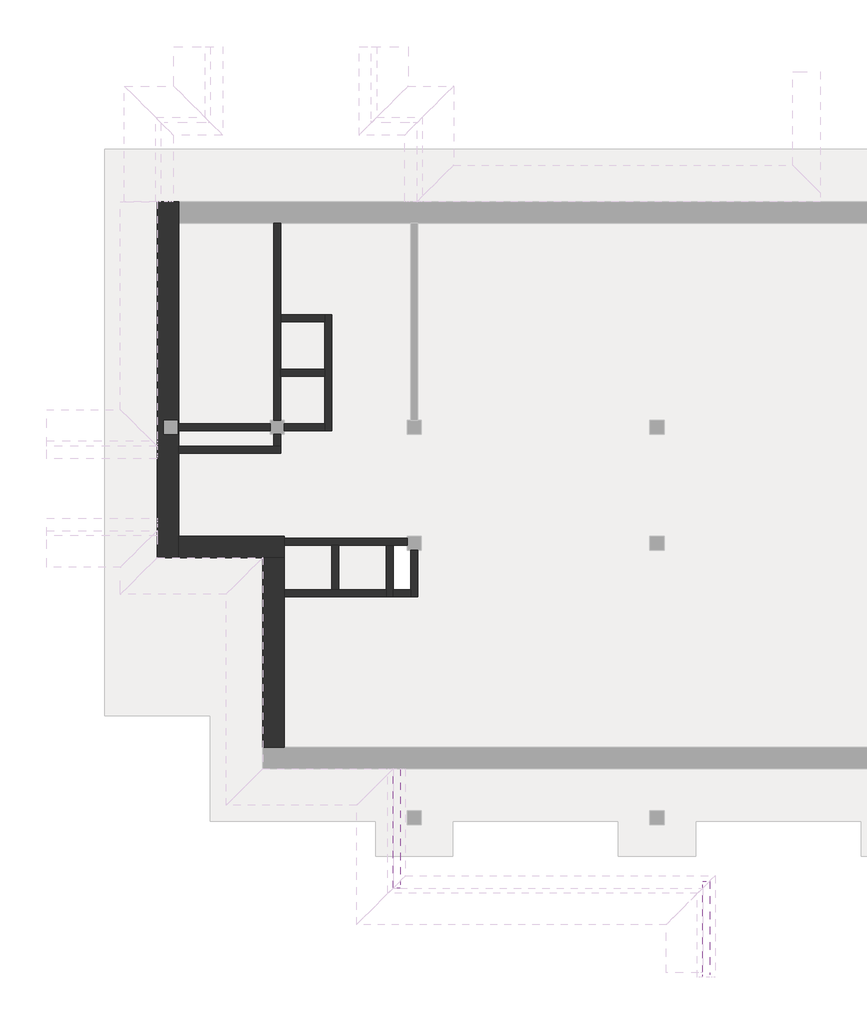
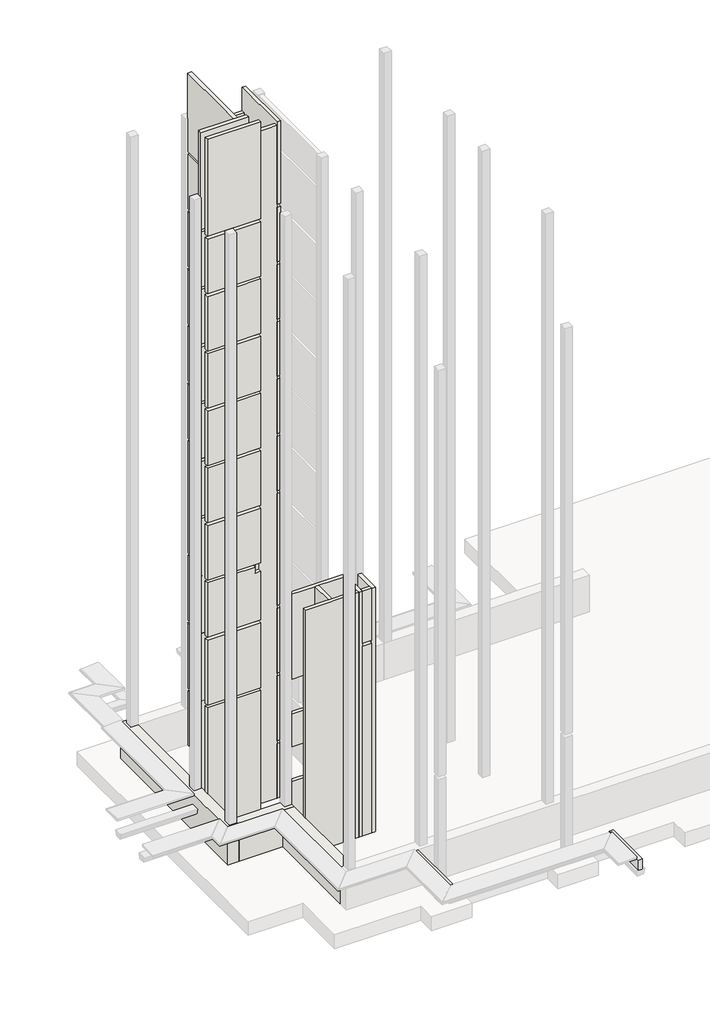
# One storey, part 1 of 9: 19 walls.
"""IFC4 building model written with IfcOpenShell, lengths in millimetres."""

import ifcopenshell
import ifcopenshell.guid

model = None  # the IFC model being written
_history = None  # IfcOwnerHistory: only IFC2X3 demands one
_inside = {}  # id of a spatial element -> (the spatial element, [elements in it])
_under = {}  # id of a project, library or spatial element -> (it, [spatial elements below it])
_declared = {}  # id of a project -> (the project, [libraries it declares])
_typed = {}  # id of a type object -> (the type object, [elements of that type])
_made_of = {}  # id of a material, layer set ... -> (it, [elements and type objects made of it])


def new_model(schema):
    """Start an empty IFC model of exactly this schema.

    Asked for "IFC4X3", IfcOpenShell would pick the latest addendum, in which some entities
    have other attributes; the version numbers below select the first issue.
    IFC2X3 requires an IfcOwnerHistory on every rooted entity: one is made here for all.
    """
    global model, _history
    if schema == "IFC4X3":
        model = ifcopenshell.file(schema_version=(4, 3, 0, 0))
    else:
        model = ifcopenshell.file(schema=schema)
    _inside.clear()
    _under.clear()
    _declared.clear()
    _typed.clear()
    _made_of.clear()
    _history = None
    if model.schema == "IFC2X3":
        org = make("IfcOrganization", Name="unknown")
        user = make(
            "IfcPersonAndOrganization",
            ThePerson=make("IfcPerson", FamilyName="unknown"),
            TheOrganization=org,
        )
        app = make(
            "IfcApplication",
            ApplicationDeveloper=org,
            Version="unknown",
            ApplicationFullName="unknown",
            ApplicationIdentifier="unknown",
        )
        _history = make(
            "IfcOwnerHistory",
            OwningUser=user,
            OwningApplication=app,
            ChangeAction="ADDED",
            CreationDate=0,
        )
    return model


def make(cls, **values):
    """One entity of the class cls with the attributes given. An attribute that is None is left unset."""
    return model.create_entity(
        cls, **{name: value for name, value in values.items() if value is not None}
    )


def rooted(cls, **values):
    """An entity with a GlobalId (a new one), such as an element, a storey or a relation."""
    return make(cls, GlobalId=ifcopenshell.guid.new(), OwnerHistory=_history, **values)


def si_unit(unit_type, name, prefix=None):
    """IfcSIUnit, for example si_unit("LENGTHUNIT", "METRE", prefix="MILLI")."""
    return make("IfcSIUnit", UnitType=unit_type, Prefix=prefix, Name=name)


def assignment(units):
    """IfcUnitAssignment: the units of a project."""
    return None if units is None else make("IfcUnitAssignment", Units=units)


def point(xyz):
    """IfcCartesianPoint."""
    return None if xyz is None else make("IfcCartesianPoint", Coordinates=xyz)


def direction(xyz):
    """IfcDirection."""
    return None if xyz is None else make("IfcDirection", DirectionRatios=xyz)


def frame(location, z_axis=None, x_axis=None):
    """IfcAxis2Placement3D, a coordinate frame: its origin and axes. An axis left out is left unset."""
    return make(
        "IfcAxis2Placement3D",
        Location=point(location),
        Axis=direction(z_axis),
        RefDirection=direction(x_axis),
    )


def origin():
    """The frame at (0, 0, 0) with its axes left unset."""
    return frame((0.0, 0.0, 0.0))


def place(relative_to, where):
    """IfcLocalPlacement: puts the frame where relative to a parent placement (None: the world)."""
    return make(
        "IfcLocalPlacement", PlacementRelTo=relative_to, RelativePlacement=where
    )


def context(
    kind, dimensions, precision=None, world=None, true_north=None, identifier=None
):
    """IfcGeometricRepresentationContext, for example the 3D "Model" context."""
    return make(
        "IfcGeometricRepresentationContext",
        ContextIdentifier=identifier,
        ContextType=kind,
        CoordinateSpaceDimension=dimensions,
        Precision=precision,
        WorldCoordinateSystem=world,
        TrueNorth=true_north,
    )


def project(units=None, contexts=None):
    """IfcProject with its units and contexts."""
    return rooted(
        "IfcProject",
        Name="project",
        RepresentationContexts=contexts,
        UnitsInContext=assignment(units),
    )


def spatial(cls, under=None, at=None, **own):
    """A site, building, storey or space (cls), placed at a placement, below another one or the project."""
    s = rooted(cls, ObjectPlacement=at, **own)
    if under is not None:
        _under.setdefault(under.id(), (under, []))[1].append(s)
    return s


def polyline(points):
    """IfcPolyline through the points."""
    return make("IfcPolyline", Points=[point(p) for p in points])


def outline(outer, holes=None, kind="AREA"):
    """IfcArbitraryClosedProfileDef: a profile drawn as a closed curve; with holes, ...WithVoids."""
    if holes is None:
        return make("IfcArbitraryClosedProfileDef", ProfileType=kind, OuterCurve=outer)
    return make(
        "IfcArbitraryProfileDefWithVoids",
        ProfileType=kind,
        OuterCurve=outer,
        InnerCurves=holes,
    )


def extrude(swept, where, along, depth):
    """IfcExtrudedAreaSolid: the profile swept, set in the frame where, extruded along a direction by depth."""
    return make(
        "IfcExtrudedAreaSolid",
        SweptArea=swept,
        Position=where,
        ExtrudedDirection=direction(along),
        Depth=depth,
    )


def faces_of(points, faces, orient=None, outer=None):
    """IfcFace entities. A face is a list of loops; a loop is a list of indices into points, from 0.

    orient and outer hold one flag for each loop. By default every Orientation is true, the
    first loop of a face is its IfcFaceOuterBound and the others are IfcFaceBound.
    """
    made = []
    for i, loops in enumerate(faces):
        bounds = []
        for j, loop in enumerate(loops):
            is_outer = j == 0 if outer is None else outer[i][j]
            bounds.append(
                make(
                    "IfcFaceOuterBound" if is_outer else "IfcFaceBound",
                    Bound=make("IfcPolyLoop", Polygon=[points[k] for k in loop]),
                    Orientation=True if orient is None else orient[i][j],
                )
            )
        made.append(make("IfcFace", Bounds=bounds))
    return made


def faceted_brep(points, faces, orient=None, outer=None, voids=None):
    """IfcFacetedBrep: a solid bounded by flat faces; with voids (closed shells), ...WithVoids."""
    shared = [point(p) for p in points]
    hull = make("IfcClosedShell", CfsFaces=faces_of(shared, faces, orient, outer))
    if voids is None:
        return make("IfcFacetedBrep", Outer=hull)
    return make(
        "IfcFacetedBrepWithVoids",
        Outer=hull,
        Voids=[
            make(cls, CfsFaces=faces_of(shared, fs, o, b)) for cls, fs, o, b in voids
        ],
    )


def shape(context_of_items, identifier, shape_type, items):
    """IfcShapeRepresentation: the items that make up one representation, for example the "Body"."""
    return make(
        "IfcShapeRepresentation",
        ContextOfItems=context_of_items,
        RepresentationIdentifier=identifier,
        RepresentationType=shape_type,
        Items=items,
    )


def made_of(thing, what):
    """Note that an element or type object is made of a material, layer set ...; save() writes the relation."""
    if what is not None:
        _made_of.setdefault(what.id(), (what, []))[1].append(thing)
    return thing


def element(
    cls,
    number,
    at=None,
    inside=None,
    cuts=None,
    type_object=None,
    material=None,
    context=None,
    identifier="Body",
    shape_type=None,
    held_by="IfcProductDefinitionShape",
    body=None,
    shapes=None,
    **own,
):
    """One element of the class cls, such as IfcWall. Its Tag is "e" and its number.

    at: its placement. inside: the storey or other place that contains it. cuts: it is an
    opening in that element (IfcRelVoidsElement). A single representation is given by context,
    identifier, shape_type and body (its items); several are given by shapes. held_by: the class
    of the entity that holds the representations. save() writes the other relations.
    """
    e = rooted(cls, Tag="e%d" % number, ObjectPlacement=at, **own)
    if body is not None:
        shapes = [shape(context, identifier, shape_type, body)]
    if shapes is not None:
        e.Representation = make(held_by, Representations=shapes)
    if inside is not None:
        _inside.setdefault(inside.id(), (inside, []))[1].append(e)
    if cuts is not None:
        rooted(
            "IfcRelVoidsElement", RelatingBuildingElement=cuts, RelatedOpeningElement=e
        )
    if type_object is not None:
        _typed.setdefault(type_object.id(), (type_object, []))[1].append(e)
    return made_of(e, material)


def aggregate(whole, parts):
    """IfcRelAggregates: a whole, such as a stair, and the parts it consists of."""
    return rooted("IfcRelAggregates", RelatingObject=whole, RelatedObjects=parts)


def save(model, path):
    """Write the relations noted so far, then the file.

    IfcRelAggregates (storeys below a building ...), IfcRelContainedInSpatialStructure (elements
    in a storey), IfcRelDefinesByType, IfcRelAssociatesMaterial and IfcRelDeclares: one each for
    every whole, place, type object, material and project.
    """
    for whole, parts in _under.values():
        aggregate(whole, parts)
    for where, things in _inside.values():
        rooted(
            "IfcRelContainedInSpatialStructure",
            RelatedElements=things,
            RelatingStructure=where,
        )
    for kind, things in _typed.values():
        rooted("IfcRelDefinesByType", RelatedObjects=things, RelatingType=kind)
    for what, things in _made_of.values():
        rooted("IfcRelAssociatesMaterial", RelatedObjects=things, RelatingMaterial=what)
    for by, libraries in _declared.values():
        rooted("IfcRelDeclares", RelatingContext=by, RelatedDefinitions=libraries)
    model.write(path)


model = new_model("IFC4")

# Units and contexts
model_context = context("Model", 3, world=origin())
ifc_project = project(units=[si_unit("LENGTHUNIT", "METRE", prefix="MILLI")], contexts=[model_context])

# Site, building, storey
site = spatial("IfcSite", under=ifc_project)
building = spatial("IfcBuilding", under=site)
storey = spatial("IfcBuildingStorey", under=building, Elevation=-3300.0)

# Walls
placement = place(None, origin())
element("IfcWall", 1, at=placement, inside=storey, context=model_context, shape_type="SweptSolid", body=[
    extrude(outline(polyline([(-44989.9887159, -5506.8920513), (-47589.9887159, -5506.8920513), (-47589.9887159, -5306.8920513), (-44989.9887159, -5306.8920513), (-44989.9887159, -5506.8920513)])), frame((0.0, 0.0, -3300.0), z_axis=(0.0, 0.0, 1.0), x_axis=(1.0, 0.0, 0.0)), (0.0, 0.0, 1.0), 17540.0),
])
element("IfcWall", 2, at=placement, inside=storey, context=model_context, shape_type="Brep", body=[
    faceted_brep([(-47589.9887159, -9116.8920513, -3300.0), (-47589.9887159, -8506.8920513, -3300.0), (-47589.9887159, -6146.8920513, -3300.0), (-47589.9887159, -5946.8920513, -3300.0), (-47589.9887159, -5506.8920513, -3300.0), (-47589.9887159, -5306.8920513, -3300.0), (-47589.9887159, 393.1079487, -3300.0), (-47589.9887159, 1003.1079487, -3300.0), (-47589.9887159, 1003.1079487, -1200.0), (-47589.9887159, 393.1079487, -1200.0), (-47589.9887159, -5836.8920513, -1200.0), (-47589.9887159, -6146.8920513, -1200.0), (-47589.9887159, -8146.8920513, -1200.0), (-47589.9887159, -8506.8920513, -1200.0), (-47589.9887159, -9116.8920513, -1200.0), (-48199.9887159, 1003.1079487, -3300.0), (-48199.9887159, -9116.8920513, -3300.0), (-48199.9887159, -9116.8920513, -1200.0), (-48199.9887159, -8506.8920513, -1200.0), (-48199.9887159, -8346.8920513, -1200.0), (-48199.9887159, -8146.8920513, -1200.0), (-48199.9887159, -6146.8920513, -1200.0), (-48199.9887159, -5946.8920513, -1200.0), (-48199.9887159, -5836.8920513, -1200.0), (-48199.9887159, 1003.1079487, -1200.0), (-48009.9887159, -5206.8920513, -3300.0), (-48009.9887159, -5606.8920513, -3300.0), (-47609.9887159, -5606.8920513, -3300.0), (-47609.9887159, -5206.8920513, -3300.0), (-47889.9887159, 1003.1079487, -1200.0), (-48089.9887159, 1003.1079487, -1200.0), (-48009.9887159, -5606.8920513, -1200.0), (-48009.9887159, -5206.8920513, -1200.0), (-47609.9887159, -5206.8920513, -1200.0), (-47609.9887159, -5606.8920513, -1200.0)], [[[0, 1, 2, 3, 4, 5, 6, 7, 8, 9, 10, 11, 12, 13, 14]], [[15, 16, 17, 18, 19, 20, 21, 22, 23, 24]], [[7, 6, 5, 4, 3, 2, 1, 0, 16, 15], [25, 26, 27, 28]], [[14, 13, 12, 11, 10, 9, 8, 29, 30, 24, 23, 22, 21, 20, 19, 18, 17], [31, 32, 33, 34]], [[7, 15, 24, 30, 29, 8]], [[16, 0, 14, 17]], [[25, 32, 31, 26]], [[32, 25, 28, 33]], [[33, 28, 27, 34]], [[34, 27, 26, 31]]]),
])
element("IfcWall", 3, at=placement, inside=storey, context=model_context, shape_type="Brep", body=[
    faceted_brep([(-47589.9887159, -9116.8920513, -3300.0), (-45199.9887159, -9116.8920513, -3300.0), (-44589.9887159, -9116.8920513, -3300.0), (-44589.9887159, -9116.8920513, -1200.0), (-45199.9887159, -9116.8920513, -1200.0), (-47589.9887159, -9116.8920513, -1200.0), (-47589.9887159, -8506.8920513, -3300.0), (-47589.9887159, -8506.8920513, -1200.0), (-44589.9887159, -8506.8920513, -1200.0), (-44589.9887159, -8506.8920513, -3300.0), (-44589.9887159, -8566.8920513, -3300.0), (-44589.9887159, -8766.8920513, -3300.0)], [[[0, 1, 2, 3, 4, 5]], [[6, 7, 8, 9]], [[2, 1, 0, 6, 9, 10, 11]], [[5, 4, 3, 8, 7]], [[0, 5, 7, 6]], [[3, 2, 11, 10, 9, 8]]]),
])
element("IfcWall", 4, at=placement, inside=storey, context=model_context, shape_type="Brep", body=[
    faceted_brep([(-45199.9887159, -9116.8920513, -3300.0), (-45199.9887159, -14506.8920513, -3300.0), (-45199.9887159, -14506.8920513, -1200.0), (-45199.9887159, -9116.8920513, -1200.0), (-44589.9887159, -9116.8920513, -3300.0), (-44589.9887159, -9116.8920513, -1200.0), (-44589.9887159, -14506.8920513, -1200.0), (-44589.9887159, -14506.8920513, -3300.0), (-44589.9887159, -10226.8920514, -3300.0), (-44589.9887159, -10026.8920514, -3300.0)], [[[0, 1, 2, 3]], [[4, 5, 6, 7, 8, 9]], [[1, 0, 4, 9, 8, 7]], [[3, 2, 6, 5]], [[2, 1, 7, 6]], [[0, 3, 5, 4]]]),
])
element("IfcWall", 5, at=placement, inside=storey, context=model_context, shape_type="SweptSolid", body=[
    extrude(outline(polyline([(-44989.9887159, -5506.8920513), (-47589.9887159, -5506.8920513), (-47589.9887159, -5306.8920513), (-44989.9887159, -5306.8920513), (-44989.9887159, -5506.8920513)])), frame((0.0, 0.0, -3300.0), z_axis=(0.0, 0.0, 1.0), x_axis=(1.0, 0.0, 0.0)), (0.0, 0.0, 1.0), 7040.0),
    extrude(outline(polyline([(-44989.9887159, -5506.8920513), (-47589.9887159, -5506.8920513), (-47589.9887159, -5306.8920513), (-44989.9887159, -5306.8920513), (-44989.9887159, -5506.8920513)])), frame((0.0, 0.0, 30900.0), z_axis=(0.0, 0.0, 1.0), x_axis=(1.0, 0.0, 0.0)), (0.0, 0.0, 1.0), 5600.0),
    extrude(outline(polyline([(-44989.9887159, -5506.8920513), (-47589.9887159, -5506.8920513), (-47589.9887159, -5306.8920513), (-44989.9887159, -5306.8920513), (-44989.9887159, -5506.8920513)])), frame((0.0, 0.0, 24300.0), z_axis=(0.0, 0.0, 1.0), x_axis=(1.0, 0.0, 0.0)), (0.0, 0.0, 1.0), 3140.0),
    extrude(outline(polyline([(-44989.9887159, -5506.8920513), (-47589.9887159, -5506.8920513), (-47589.9887159, -5306.8920513), (-44989.9887159, -5306.8920513), (-44989.9887159, -5506.8920513)])), frame((0.0, 0.0, 27600.0), z_axis=(0.0, 0.0, 1.0), x_axis=(1.0, 0.0, 0.0)), (0.0, 0.0, 1.0), 3140.0),
    extrude(outline(polyline([(-44989.9887159, -5506.8920513), (-47589.9887159, -5506.8920513), (-47589.9887159, -5306.8920513), (-44989.9887159, -5306.8920513), (-44989.9887159, -5506.8920513)])), frame((0.0, 0.0, 3900.0), z_axis=(0.0, 0.0, 1.0), x_axis=(1.0, 0.0, 0.0)), (0.0, 0.0, 1.0), 3740.0),
    extrude(outline(polyline([(-44989.9887159, -5506.8920513), (-47589.9887159, -5506.8920513), (-47589.9887159, -5306.8920513), (-44989.9887159, -5306.8920513), (-44989.9887159, -5506.8920513)])), frame((0.0, 0.0, 17700.0), z_axis=(0.0, 0.0, 1.0), x_axis=(1.0, 0.0, 0.0)), (0.0, 0.0, 1.0), 3140.0),
    extrude(outline(polyline([(-44989.9887159, -5506.8920513), (-47589.9887159, -5506.8920513), (-47589.9887159, -5306.8920513), (-44989.9887159, -5306.8920513), (-44989.9887159, -5506.8920513)])), frame((0.0, 0.0, 11100.0), z_axis=(0.0, 0.0, 1.0), x_axis=(1.0, 0.0, 0.0)), (0.0, 0.0, 1.0), 3140.0),
    extrude(outline(polyline([(-44989.9887159, -5506.8920513), (-47589.9887159, -5506.8920513), (-47589.9887159, -5306.8920513), (-44989.9887159, -5306.8920513), (-44989.9887159, -5506.8920513)])), frame((0.0, 0.0, 7800.0), z_axis=(0.0, 0.0, 1.0), x_axis=(1.0, 0.0, 0.0)), (0.0, 0.0, 1.0), 3140.0),
    extrude(outline(polyline([(-44989.9887159, -5506.8920513), (-47589.9887159, -5506.8920513), (-47589.9887159, -5306.8920513), (-44989.9887159, -5306.8920513), (-44989.9887159, -5506.8920513)])), frame((0.0, 0.0, 14400.0), z_axis=(0.0, 0.0, 1.0), x_axis=(1.0, 0.0, 0.0)), (0.0, 0.0, 1.0), 3140.0),
    extrude(outline(polyline([(-44989.9887159, -5506.8920513), (-47589.9887159, -5506.8920513), (-47589.9887159, -5306.8920513), (-44989.9887159, -5306.8920513), (-44989.9887159, -5506.8920513)])), frame((0.0, 0.0, 21000.0), z_axis=(0.0, 0.0, 1.0), x_axis=(1.0, 0.0, 0.0)), (0.0, 0.0, 1.0), 3140.0),
])
element("IfcWall", 6, at=placement, inside=storey, context=model_context, shape_type="Brep", body=[
    faceted_brep([(-44689.9887159, 393.1079487, 35400.0), (-44689.9887159, -5946.8920513, 35400.0), (-44689.9887159, -5946.8920513, 30900.0), (-44689.9887159, -5606.8920513, 30900.0), (-44689.9887159, -5606.8920513, 32800.0), (-44689.9887159, -5206.8920513, 32800.0), (-44689.9887159, -5206.8920513, 30900.0), (-44689.9887159, 393.1079487, 30900.0), (-44889.9887159, -5946.8920513, 35400.0), (-44889.9887159, 393.1079487, 35400.0), (-44889.9887159, 393.1079487, 30900.0), (-44889.9887159, -5206.8920513, 30900.0), (-44889.9887159, -5206.8920513, 32800.0), (-44889.9887159, -5606.8920513, 32800.0), (-44889.9887159, -5606.8920513, 30900.0), (-44889.9887159, -5946.8920513, 30900.0)], [[[0, 1, 2, 3, 4, 5, 6, 7]], [[8, 9, 10, 11, 12, 13, 14, 15]], [[1, 0, 9, 8]], [[6, 5, 12, 11]], [[4, 3, 14, 13]], [[1, 8, 15, 2]], [[3, 2, 15, 14]], [[7, 6, 11, 10]], [[12, 5, 4, 13]], [[9, 0, 7, 10]]]),
    faceted_brep([(-44689.9887159, 188.1079487, 2100.0), (-44689.9887159, 188.1079487, 0.0), (-44689.9887159, 393.1079487, 0.0), (-44689.9887159, 393.1079487, 3740.0), (-44689.9887159, -5206.8920513, 3740.0), (-44689.9887159, -5206.8920513, 0.0), (-44689.9887159, -1111.8920513, 0.0), (-44689.9887159, -1111.8920513, 2100.0), (-44889.9887159, 188.1079487, 0.0), (-44889.9887159, 188.1079487, 2100.0), (-44889.9887159, -1111.8920513, 2100.0), (-44889.9887159, -1111.8920513, 0.0), (-44889.9887159, -5206.8920513, 0.0), (-44889.9887159, -5206.8920513, 3740.0), (-44889.9887159, 393.1079487, 3740.0), (-44889.9887159, 393.1079487, 0.0)], [[[0, 1, 2, 3, 4, 5, 6, 7]], [[8, 9, 10, 11, 12, 13, 14, 15]], [[12, 5, 4, 13]], [[0, 9, 8, 1]], [[9, 0, 7, 10]], [[10, 7, 6, 11]], [[2, 1, 8, 15]], [[6, 5, 12, 11]], [[4, 3, 14, 13]], [[15, 14, 3, 2]]]),
    faceted_brep([(-44689.9887159, -5206.8920513, 27600.0), (-44689.9887159, 393.1079487, 27600.0), (-44689.9887159, 393.1079487, 30740.0), (-44689.9887159, -5206.8920513, 30740.0), (-44889.9887159, 393.1079487, 30740.0), (-44889.9887159, 393.1079487, 27600.0), (-44889.9887159, -5206.8920513, 27600.0), (-44889.9887159, -5206.8920513, 30740.0)], [[[0, 1, 2, 3]], [[4, 5, 6, 7]], [[0, 6, 5, 1]], [[6, 0, 3, 7]], [[3, 2, 4, 7]], [[5, 4, 2, 1]]]),
    faceted_brep([(-44689.9887159, -5946.8920513, 27600.0), (-44689.9887159, -5606.8920513, 27600.0), (-44689.9887159, -5606.8920513, 30740.0), (-44689.9887159, -5946.8920513, 30740.0), (-44889.9887159, -5606.8920513, 27600.0), (-44889.9887159, -5946.8920513, 27600.0), (-44889.9887159, -5946.8920513, 30740.0), (-44889.9887159, -5606.8920513, 30740.0)], [[[0, 1, 2, 3]], [[4, 5, 6, 7]], [[5, 4, 1, 0]], [[1, 4, 7, 2]], [[5, 0, 3, 6]], [[3, 2, 7, 6]]]),
    faceted_brep([(-44689.9887159, 393.1079487, 27440.0), (-44689.9887159, -5206.8920513, 27440.0), (-44689.9887159, -5206.8920513, 24300.0), (-44689.9887159, 393.1079487, 24300.0), (-44889.9887159, 393.1079487, 27440.0), (-44889.9887159, 393.1079487, 24300.0), (-44889.9887159, -5206.8920513, 24300.0), (-44889.9887159, -5206.8920513, 27440.0)], [[[0, 1, 2, 3]], [[4, 5, 6, 7]], [[7, 1, 0, 4]], [[1, 7, 6, 2]], [[3, 2, 6, 5]], [[5, 4, 0, 3]]]),
    faceted_brep([(-44689.9887159, -5606.8920513, 27440.0), (-44689.9887159, -5946.8920513, 27440.0), (-44689.9887159, -5946.8920513, 24300.0), (-44689.9887159, -5606.8920513, 24300.0), (-44889.9887159, -5946.8920513, 27440.0), (-44889.9887159, -5606.8920513, 27440.0), (-44889.9887159, -5606.8920513, 24300.0), (-44889.9887159, -5946.8920513, 24300.0)], [[[0, 1, 2, 3]], [[4, 5, 6, 7]], [[5, 4, 1, 0]], [[5, 0, 3, 6]], [[1, 4, 7, 2]], [[3, 2, 7, 6]]]),
    faceted_brep([(-44689.9887159, -5946.8920513, -3300.0), (-44689.9887159, -5606.8920513, -3300.0), (-44689.9887159, -5606.8920513, -160.0), (-44689.9887159, -5946.8920513, -160.0), (-44889.9887159, -5606.8920513, -3300.0), (-44889.9887159, -5946.8920513, -3300.0), (-44889.9887159, -5946.8920513, -160.0), (-44889.9887159, -5606.8920513, -160.0)], [[[0, 1, 2, 3]], [[4, 5, 6, 7]], [[4, 1, 0, 5]], [[1, 4, 7, 2]], [[5, 0, 3, 6]], [[3, 2, 7, 6]]]),
    faceted_brep([(-44689.9887159, -5206.8920513, -3300.0), (-44689.9887159, -3956.8920514, -3300.0), (-44689.9887159, -3756.8920514, -3300.0), (-44689.9887159, -2406.8920514, -3300.0), (-44689.9887159, -2206.8920514, -3300.0), (-44689.9887159, 393.1079487, -3300.0), (-44689.9887159, 393.1079487, -160.0), (-44689.9887159, -5206.8920513, -160.0), (-44889.9887159, 393.1079487, -3300.0), (-44889.9887159, -5206.8920513, -3300.0), (-44889.9887159, -5206.8920513, -160.0), (-44889.9887159, 393.1079487, -160.0)], [[[0, 1, 2, 3, 4, 5, 6, 7]], [[8, 9, 10, 11]], [[8, 5, 4, 3, 2, 1, 0, 9]], [[9, 0, 7, 10]], [[7, 6, 11, 10]], [[5, 8, 11, 6]]]),
    faceted_brep([(-44689.9887159, -5946.8920513, 0.0), (-44689.9887159, -5606.8920513, 0.0), (-44689.9887159, -5606.8920513, 3740.0), (-44689.9887159, -5946.8920513, 3740.0), (-44889.9887159, -5606.8920513, 0.0), (-44889.9887159, -5946.8920513, 0.0), (-44889.9887159, -5946.8920513, 3740.0), (-44889.9887159, -5606.8920513, 3740.0)], [[[0, 1, 2, 3]], [[4, 5, 6, 7]], [[2, 1, 4, 7]], [[5, 0, 3, 6]], [[1, 0, 5, 4]], [[3, 2, 7, 6]]]),
    faceted_brep([(-44689.9887159, 393.1079487, 24140.0), (-44689.9887159, -5206.8920513, 24140.0), (-44689.9887159, -5206.8920513, 21000.0), (-44689.9887159, -2406.8920514, 21000.0), (-44689.9887159, -2206.8920514, 21000.0), (-44689.9887159, 393.1079487, 21000.0), (-44889.9887159, -5206.8920513, 21000.0), (-44889.9887159, -5206.8920513, 24140.0), (-44889.9887159, 393.1079487, 24140.0), (-44889.9887159, 393.1079487, 21000.0)], [[[0, 1, 2, 3, 4, 5]], [[6, 7, 8, 9]], [[1, 7, 6, 2]], [[1, 0, 8, 7]], [[5, 4, 3, 2, 6, 9]], [[9, 8, 0, 5]]]),
    faceted_brep([(-44689.9887159, -5606.8920513, 24140.0), (-44689.9887159, -5946.8920513, 24140.0), (-44689.9887159, -5946.8920513, 21000.0), (-44689.9887159, -5606.8920513, 21000.0), (-44889.9887159, -5946.8920513, 24140.0), (-44889.9887159, -5606.8920513, 24140.0), (-44889.9887159, -5606.8920513, 21000.0), (-44889.9887159, -5946.8920513, 21000.0)], [[[0, 1, 2, 3]], [[4, 5, 6, 7]], [[0, 3, 6, 5]], [[1, 4, 7, 2]], [[1, 0, 5, 4]], [[3, 2, 7, 6]]]),
    faceted_brep([(-44689.9887159, -5606.8920513, 20840.0), (-44689.9887159, -5946.8920513, 20840.0), (-44689.9887159, -5946.8920513, 17700.0), (-44689.9887159, -5606.8920513, 17700.0), (-44889.9887159, -5946.8920513, 17700.0), (-44889.9887159, -5946.8920513, 20840.0), (-44889.9887159, -5606.8920513, 20840.0), (-44889.9887159, -5606.8920513, 17700.0)], [[[0, 1, 2, 3]], [[4, 5, 6, 7]], [[0, 3, 7, 6]], [[1, 5, 4, 2]], [[1, 0, 6, 5]], [[3, 2, 4, 7]]]),
    faceted_brep([(-44689.9887159, -5606.8920513, 17540.0), (-44689.9887159, -5946.8920513, 17540.0), (-44689.9887159, -5946.8920513, 14400.0), (-44689.9887159, -5606.8920513, 14400.0), (-44889.9887159, -5946.8920513, 14400.0), (-44889.9887159, -5946.8920513, 17540.0), (-44889.9887159, -5606.8920513, 17540.0), (-44889.9887159, -5606.8920513, 14400.0)], [[[0, 1, 2, 3]], [[4, 5, 6, 7]], [[0, 3, 7, 6]], [[1, 5, 4, 2]], [[1, 0, 6, 5]], [[3, 2, 4, 7]]]),
    faceted_brep([(-44689.9887159, 393.1079487, 14240.0), (-44689.9887159, -5206.8920513, 14240.0), (-44689.9887159, -5206.8920513, 7800.0), (-44689.9887159, 393.1079487, 7800.0), (-44889.9887159, -5206.8920513, 14240.0), (-44889.9887159, 393.1079487, 14240.0), (-44889.9887159, 393.1079487, 7800.0), (-44889.9887159, -5206.8920513, 7800.0)], [[[0, 1, 2, 3]], [[4, 5, 6, 7]], [[1, 4, 7, 2]], [[1, 0, 5, 4]], [[6, 5, 0, 3]], [[3, 2, 7, 6]]]),
    faceted_brep([(-44689.9887159, -5606.8920513, 14240.0), (-44689.9887159, -5946.8920513, 14240.0), (-44689.9887159, -5946.8920513, 11100.0), (-44689.9887159, -5946.8920513, 10600.0), (-44689.9887159, -5946.8920513, 7800.0), (-44689.9887159, -5606.8920513, 7800.0), (-44889.9887159, -5946.8920513, 7800.0), (-44889.9887159, -5946.8920513, 14240.0), (-44889.9887159, -5606.8920513, 14240.0), (-44889.9887159, -5606.8920513, 7800.0)], [[[0, 1, 2, 3, 4, 5]], [[6, 7, 8, 9]], [[0, 5, 9, 8]], [[1, 7, 6, 4, 3, 2]], [[1, 0, 8, 7]], [[5, 4, 6, 9]]]),
    faceted_brep([(-44689.9887159, -5206.8920513, 3900.0), (-44689.9887159, 393.1079487, 3900.0), (-44689.9887159, 393.1079487, 7640.0), (-44689.9887159, -5206.8920513, 7640.0), (-44889.9887159, 393.1079487, 3900.0), (-44889.9887159, -5206.8920513, 3900.0), (-44889.9887159, -5206.8920513, 7640.0), (-44889.9887159, 393.1079487, 7640.0)], [[[0, 1, 2, 3]], [[4, 5, 6, 7]], [[5, 0, 3, 6]], [[1, 0, 5, 4]], [[1, 4, 7, 2]], [[3, 2, 7, 6]]]),
    faceted_brep([(-44689.9887159, -5946.8920513, 3900.0), (-44689.9887159, -5606.8920513, 3900.0), (-44689.9887159, -5606.8920513, 7640.0), (-44689.9887159, -5946.8920513, 7640.0), (-44889.9887159, -5606.8920513, 3900.0), (-44889.9887159, -5946.8920513, 3900.0), (-44889.9887159, -5946.8920513, 7640.0), (-44889.9887159, -5606.8920513, 7640.0)], [[[0, 1, 2, 3]], [[4, 5, 6, 7]], [[1, 4, 7, 2]], [[5, 0, 3, 6]], [[1, 0, 5, 4]], [[3, 2, 7, 6]]]),
    faceted_brep([(-44689.9887159, 393.1079487, 20840.0), (-44689.9887159, -2206.8920514, 20840.0), (-44689.9887159, -2406.8920514, 20840.0), (-44689.9887159, -5206.8920513, 20840.0), (-44689.9887159, -5206.8920513, 17700.0), (-44689.9887159, -2406.8920514, 17700.0), (-44689.9887159, -2206.8920514, 17700.0), (-44689.9887159, 393.1079487, 17700.0), (-44889.9887159, -5206.8920513, 20840.0), (-44889.9887159, 393.1079487, 20840.0), (-44889.9887159, 393.1079487, 17700.0), (-44889.9887159, -5206.8920513, 17700.0)], [[[0, 1, 2, 3, 4, 5, 6, 7]], [[8, 9, 10, 11]], [[3, 8, 11, 4]], [[3, 2, 1, 0, 9, 8]], [[7, 6, 5, 4, 11, 10]], [[10, 9, 0, 7]]]),
    faceted_brep([(-44689.9887159, 393.1079487, 17540.0), (-44689.9887159, -2206.8920514, 17540.0), (-44689.9887159, -2406.8920514, 17540.0), (-44689.9887159, -5206.8920513, 17540.0), (-44689.9887159, -5206.8920513, 14400.0), (-44689.9887159, 393.1079487, 14400.0), (-44889.9887159, -5206.8920513, 17540.0), (-44889.9887159, 393.1079487, 17540.0), (-44889.9887159, 393.1079487, 14400.0), (-44889.9887159, -5206.8920513, 14400.0)], [[[0, 1, 2, 3, 4, 5]], [[6, 7, 8, 9]], [[3, 6, 9, 4]], [[3, 2, 1, 0, 7, 6]], [[5, 4, 9, 8]], [[8, 7, 0, 5]]]),
])
element("IfcWall", 7, at=placement, inside=storey, context=model_context, shape_type="Brep", body=[
    faceted_brep([(-41489.988716, -15116.8920513, -1800.0), (-41489.988716, -18506.8920513, -1800.0), (-41489.988716, -18506.8920513, -1200.0), (-41489.988716, -15116.8920513, -1200.0), (-41289.988716, -15116.8920513, -1800.0), (-41289.988716, -15116.8920513, -1200.0), (-41289.988716, -18306.8920513, -1200.0), (-41289.988716, -18506.8920513, -1200.0), (-41289.988716, -18506.8920513, -1800.0), (-41289.988716, -18306.8920513, -1800.0)], [[[0, 1, 2, 3]], [[4, 5, 6, 7, 8, 9]], [[1, 0, 4, 9, 8]], [[3, 2, 7, 6, 5]], [[0, 3, 5, 4]], [[2, 1, 8, 7]]]),
])
element("IfcWall", 8, at=placement, inside=storey, context=model_context, shape_type="Brep", body=[
    faceted_brep([(-47589.9887159, -5946.8920513, 36500.0), (-44689.9887159, -5946.8920513, 36500.0), (-44689.9887159, -5946.8920513, 35400.0), (-44689.9887159, -5946.8920513, 30900.0), (-44889.9887159, -5946.8920513, 30900.0), (-47589.9887159, -5946.8920513, 30900.0), (-44689.9887159, -6146.8920513, 36500.0), (-47589.9887159, -6146.8920513, 36500.0), (-47589.9887159, -6146.8920513, 30900.0), (-44689.9887159, -6146.8920513, 30900.0)], [[[0, 1, 2, 3, 4, 5]], [[6, 7, 8, 9]], [[1, 0, 7, 6]], [[4, 3, 9, 8, 5]], [[1, 6, 9, 3, 2]], [[7, 0, 5, 8]]]),
    faceted_brep([(-44689.9887159, -5946.8920513, 11100.0), (-44889.9887159, -5946.8920513, 11100.0), (-47589.9887159, -5946.8920513, 11100.0), (-47589.9887159, -5946.8920513, 14240.0), (-44889.9887159, -5946.8920513, 14240.0), (-44689.9887159, -5946.8920513, 14240.0), (-47589.9887159, -6146.8920513, 11100.0), (-44689.9887159, -6146.8920513, 11100.0), (-44689.9887159, -6146.8920513, 14240.0), (-47589.9887159, -6146.8920513, 14240.0)], [[[0, 1, 2, 3, 4, 5]], [[6, 7, 8, 9]], [[1, 0, 7, 6, 2]], [[5, 4, 3, 9, 8]], [[7, 0, 5, 8]], [[2, 6, 9, 3]]]),
    faceted_brep([(-44689.9887159, -5946.8920513, 27600.0), (-44889.9887159, -5946.8920513, 27600.0), (-47589.9887159, -5946.8920513, 27600.0), (-47589.9887159, -5946.8920513, 30740.0), (-44889.9887159, -5946.8920513, 30740.0), (-44689.9887159, -5946.8920513, 30740.0), (-47589.9887159, -6146.8920513, 27600.0), (-44689.9887159, -6146.8920513, 27600.0), (-44689.9887159, -6146.8920513, 30740.0), (-47589.9887159, -6146.8920513, 30740.0)], [[[0, 1, 2, 3, 4, 5]], [[6, 7, 8, 9]], [[1, 0, 7, 6, 2]], [[5, 4, 3, 9, 8]], [[7, 0, 5, 8]], [[2, 6, 9, 3]]]),
    faceted_brep([(-44889.9887159, -5946.8920513, 27440.0), (-44689.9887159, -5946.8920513, 27440.0), (-44689.9887159, -5946.8920513, 24300.0), (-44889.9887159, -5946.8920513, 24300.0), (-47589.9887159, -5946.8920513, 24300.0), (-47589.9887159, -5946.8920513, 27440.0), (-44689.9887159, -6146.8920513, 27440.0), (-47589.9887159, -6146.8920513, 27440.0), (-47589.9887159, -6146.8920513, 24300.0), (-44689.9887159, -6146.8920513, 24300.0)], [[[0, 1, 2, 3, 4, 5]], [[6, 7, 8, 9]], [[1, 0, 5, 7, 6]], [[4, 3, 2, 9, 8]], [[1, 6, 9, 2]], [[7, 5, 4, 8]]]),
    faceted_brep([(-47589.9887159, -5946.8920513, 3740.0), (-44889.9887159, -5946.8920513, 3740.0), (-44689.9887159, -5946.8920513, 3740.0), (-44689.9887159, -5946.8920513, 0.0), (-44689.9887159, -5946.8920513, -160.0), (-44689.9887159, -5946.8920513, -3300.0), (-44889.9887159, -5946.8920513, -3300.0), (-47589.9887159, -5946.8920513, -3300.0), (-44689.9887159, -6146.8920513, 3740.0), (-47589.9887159, -6146.8920513, 3740.0), (-47589.9887159, -6146.8920513, 0.0), (-47589.9887159, -6146.8920513, -1200.0), (-47589.9887159, -6146.8920513, -3300.0), (-44689.9887159, -6146.8920513, -3300.0)], [[[0, 1, 2, 3, 4, 5, 6, 7]], [[8, 9, 10, 11, 12, 13]], [[5, 13, 12, 7, 6]], [[1, 0, 9, 8, 2]], [[13, 5, 4, 3, 2, 8]], [[9, 0, 7, 12, 11, 10]]]),
    faceted_brep([(-44889.9887159, -5946.8920513, 3900.0), (-47589.9887159, -5946.8920513, 3900.0), (-47589.9887159, -5946.8920513, 7640.0), (-44889.9887159, -5946.8920513, 7640.0), (-44689.9887159, -5946.8920513, 7640.0), (-44689.9887159, -5946.8920513, 3900.0), (-47589.9887159, -6146.8920513, 3900.0), (-44689.9887159, -6146.8920513, 3900.0), (-44689.9887159, -6146.8920513, 7640.0), (-47589.9887159, -6146.8920513, 7640.0)], [[[0, 1, 2, 3, 4, 5]], [[6, 7, 8, 9]], [[1, 0, 5, 7, 6]], [[7, 5, 4, 8]], [[1, 6, 9, 2]], [[4, 3, 2, 9, 8]]]),
    faceted_brep([(-47589.9887159, -5946.8920513, 24140.0), (-44889.9887159, -5946.8920513, 24140.0), (-44689.9887159, -5946.8920513, 24140.0), (-44689.9887159, -5946.8920513, 21000.0), (-44889.9887159, -5946.8920513, 21000.0), (-47589.9887159, -5946.8920513, 21000.0), (-44689.9887159, -6146.8920513, 24140.0), (-47589.9887159, -6146.8920513, 24140.0), (-47589.9887159, -6146.8920513, 21000.0), (-44689.9887159, -6146.8920513, 21000.0)], [[[0, 1, 2, 3, 4, 5]], [[6, 7, 8, 9]], [[1, 0, 7, 6, 2]], [[5, 4, 3, 9, 8]], [[2, 6, 9, 3]], [[7, 0, 5, 8]]]),
    faceted_brep([(-47589.9887159, -5946.8920513, 20840.0), (-44889.9887159, -5946.8920513, 20840.0), (-44689.9887159, -5946.8920513, 20840.0), (-44689.9887159, -5946.8920513, 17700.0), (-44889.9887159, -5946.8920513, 17700.0), (-47589.9887159, -5946.8920513, 17700.0), (-44689.9887159, -6146.8920513, 20840.0), (-47589.9887159, -6146.8920513, 20840.0), (-47589.9887159, -6146.8920513, 17700.0), (-44689.9887159, -6146.8920513, 17700.0)], [[[0, 1, 2, 3, 4, 5]], [[6, 7, 8, 9]], [[1, 0, 7, 6, 2]], [[5, 4, 3, 9, 8]], [[2, 6, 9, 3]], [[7, 0, 5, 8]]]),
    faceted_brep([(-44689.9887159, -5946.8920513, 14400.0), (-44889.9887159, -5946.8920513, 14400.0), (-47589.9887159, -5946.8920513, 14400.0), (-47589.9887159, -5946.8920513, 17540.0), (-44889.9887159, -5946.8920513, 17540.0), (-44689.9887159, -5946.8920513, 17540.0), (-47589.9887159, -6146.8920513, 14400.0), (-44689.9887159, -6146.8920513, 14400.0), (-44689.9887159, -6146.8920513, 17540.0), (-47589.9887159, -6146.8920513, 17540.0)], [[[0, 1, 2, 3, 4, 5]], [[6, 7, 8, 9]], [[1, 0, 7, 6, 2]], [[4, 3, 9, 8, 5]], [[7, 0, 5, 8]], [[2, 6, 9, 3]]]),
    faceted_brep([(-44689.9887159, -5946.8920513, 7800.0), (-44889.9887159, -5946.8920513, 7800.0), (-47589.9887159, -5946.8920513, 7800.0), (-47589.9887159, -5946.8920513, 10940.0), (-44989.9887159, -5946.8920513, 10940.0), (-44989.9887159, -5946.8920513, 10600.0), (-44689.9887159, -5946.8920513, 10600.0), (-47589.9887159, -6146.8920513, 7800.0), (-44689.9887159, -6146.8920513, 7800.0), (-44689.9887159, -6146.8920513, 10600.0), (-44989.9887159, -6146.8920513, 10600.0), (-44989.9887159, -6146.8920513, 10940.0), (-47589.9887159, -6146.8920513, 10940.0)], [[[0, 1, 2, 3, 4, 5, 6]], [[7, 8, 9, 10, 11, 12]], [[3, 12, 11, 4]], [[8, 0, 6, 9]], [[12, 3, 2, 7]], [[1, 0, 8, 7, 2]], [[10, 5, 4, 11]], [[5, 10, 9, 6]]]),
])
element("IfcWall", 9, at=placement, inside=storey, context=model_context, shape_type="Brep", body=[
    faceted_brep([(-43429.9887158, -5306.8920513, 3740.0), (-43429.9887158, -5306.8920513, -3300.0), (-44589.9887159, -5306.8920513, -3300.0), (-44589.9887159, -5306.8920513, 35450.0), (-43429.9887158, -5306.8920513, 35450.0), (-43429.9887158, -5506.8920513, -3300.0), (-43429.9887158, -5506.8920513, -160.0), (-43429.9887158, -5506.8920513, 0.0), (-43429.9887158, -5506.8920513, 3740.0), (-43429.9887158, -5506.8920513, 3900.0), (-43429.9887158, -5506.8920513, 7640.0), (-43429.9887158, -5506.8920513, 7800.0), (-43429.9887158, -5506.8920513, 14240.0), (-43429.9887158, -5506.8920513, 14400.0), (-43429.9887158, -5506.8920513, 17540.0), (-43429.9887158, -5506.8920513, 17700.0), (-43429.9887158, -5506.8920513, 20840.0), (-43429.9887158, -5506.8920513, 21000.0), (-43429.9887158, -5506.8920513, 24140.0), (-43429.9887158, -5506.8920513, 24300.0), (-43429.9887158, -5506.8920513, 27440.0), (-43429.9887158, -5506.8920513, 27600.0), (-43429.9887158, -5506.8920513, 30740.0), (-43429.9887158, -5506.8920513, 30900.0), (-43429.9887158, -5506.8920513, 35450.0), (-44589.9887159, -5506.8920513, 35450.0), (-44589.9887159, -5506.8920513, -3300.0)], [[[0, 1, 2, 3, 4]], [[5, 6, 7, 8, 9, 10, 11, 12, 13, 14, 15, 16, 17, 18, 19, 20, 21, 22, 23, 24, 25, 26]], [[2, 1, 5, 26]], [[3, 2, 26, 25]], [[4, 3, 25, 24]], [[4, 24, 23, 22, 21, 20, 19, 18, 17, 16, 15, 14, 13, 12, 11, 10, 9, 8, 0]], [[0, 8, 7, 6, 5, 1]]]),
])
element("IfcWall", 10, at=placement, inside=storey, context=model_context, shape_type="Brep", body=[
    faceted_brep([(-43429.9887158, -5506.8920513, 35650.0), (-43429.9887158, -2206.8920514, 35650.0), (-43429.9887158, -2206.8920514, 34300.0), (-43429.9887158, -2206.8920514, 30900.0), (-43429.9887158, -5506.8920513, 30900.0), (-43429.9887158, -5506.8920513, 35450.0), (-43229.9887158, -2206.8920514, 35650.0), (-43229.9887158, -5506.8920513, 35650.0), (-43229.9887158, -5506.8920513, 30900.0), (-43229.9887158, -2206.8920514, 30900.0)], [[[0, 1, 2, 3, 4, 5]], [[6, 7, 8, 9]], [[1, 0, 7, 6]], [[1, 6, 9, 3, 2]], [[7, 0, 5, 4, 8]], [[4, 3, 9, 8]]]),
    faceted_brep([(-43429.9887158, -2206.8920514, -3300.0), (-43429.9887158, -2406.8920514, -3300.0), (-43429.9887158, -3756.8920514, -3300.0), (-43429.9887158, -3956.8920514, -3300.0), (-43429.9887158, -5306.8920513, -3300.0), (-43429.9887158, -5506.8920513, -3300.0), (-43429.9887158, -5506.8920513, -160.0), (-43429.9887158, -2206.8920514, -160.0), (-43229.9887158, -5506.8920513, -3300.0), (-43229.9887158, -2206.8920514, -3300.0), (-43229.9887158, -2206.8920514, -160.0), (-43229.9887158, -5506.8920513, -160.0)], [[[0, 1, 2, 3, 4, 5, 6, 7]], [[8, 9, 10, 11]], [[5, 4, 3, 2, 1, 0, 9, 8]], [[9, 0, 7, 10]], [[5, 8, 11, 6]], [[7, 6, 11, 10]]]),
    faceted_brep([(-43429.9887158, -3711.8988485, 2000.0), (-43429.9887158, -3711.8988485, 0.0), (-43429.9887158, -4001.8852543, 0.0), (-43429.9887158, -4001.8852543, 2000.0), (-43429.9887158, -5256.8920513, 2000.0), (-43429.9887158, -5256.8920513, 0.0), (-43429.9887158, -5506.8920513, 0.0), (-43429.9887158, -5506.8920513, 3740.0), (-43429.9887158, -2206.8920514, 3740.0), (-43429.9887158, -2206.8920514, 0.0), (-43429.9887158, -2456.8920514, 0.0), (-43429.9887158, -2456.8920514, 2000.0), (-43229.9887158, -3711.8988485, 0.0), (-43229.9887158, -3711.8988485, 2000.0), (-43229.9887158, -2456.8920514, 2000.0), (-43229.9887158, -2456.8920514, 0.0), (-43229.9887158, -2206.8920514, 0.0), (-43229.9887158, -2206.8920514, 3740.0), (-43229.9887158, -5346.8920513, 3740.0), (-43229.9887158, -5466.8920513, 3740.0), (-43229.9887158, -5506.8920513, 3740.0), (-43229.9887158, -5506.8920513, 0.0), (-43229.9887158, -5466.8920513, 0.0), (-43229.9887158, -5346.8920513, 0.0), (-43229.9887158, -5256.8920513, 0.0), (-43229.9887158, -5256.8920513, 2000.0), (-43229.9887158, -4001.8852543, 2000.0), (-43229.9887158, -4001.8852543, 0.0)], [[[0, 1, 2, 3, 4, 5, 6, 7, 8, 9, 10, 11]], [[12, 13, 14, 15, 16, 17, 18, 19, 20, 21, 22, 23, 24, 25, 26, 27]], [[0, 13, 12, 1]], [[13, 0, 11, 14]], [[14, 11, 10, 15]], [[16, 9, 8, 17]], [[26, 3, 2, 27]], [[3, 26, 25, 4]], [[4, 25, 24, 5]], [[6, 21, 20, 7]], [[6, 5, 24, 23, 22, 21]], [[10, 9, 16, 15]], [[2, 1, 12, 27]], [[8, 7, 20, 19, 18, 17]]]),
    faceted_brep([(-43429.9887158, -2451.8852543, 3900.0), (-43429.9887158, -2451.8852543, 5900.0), (-43429.9887158, -3706.8920514, 5900.0), (-43429.9887158, -3706.8920514, 3900.0), (-43429.9887158, -4001.8852543, 3900.0), (-43429.9887158, -4001.8852543, 5900.0), (-43429.9887158, -5256.8920513, 5900.0), (-43429.9887158, -5256.8920513, 3900.0), (-43429.9887158, -5506.8920513, 3900.0), (-43429.9887158, -5506.8920513, 7640.0), (-43429.9887158, -2206.8920514, 7640.0), (-43429.9887158, -2206.8920514, 3900.0), (-43229.9887158, -2451.8852543, 5900.0), (-43229.9887158, -2451.8852543, 3900.0), (-43229.9887158, -2206.8920514, 3900.0), (-43229.9887158, -2206.8920514, 7640.0), (-43229.9887158, -5506.8920513, 7640.0), (-43229.9887158, -5506.8920513, 3900.0), (-43229.9887158, -5256.8920513, 3900.0), (-43229.9887158, -5256.8920513, 5900.0), (-43229.9887158, -4001.8852543, 5900.0), (-43229.9887158, -4001.8852543, 3900.0), (-43229.9887158, -3706.8920514, 3900.0), (-43229.9887158, -3706.8920514, 5900.0)], [[[0, 1, 2, 3, 4, 5, 6, 7, 8, 9, 10, 11]], [[12, 13, 14, 15, 16, 17, 18, 19, 20, 21, 22, 23]], [[14, 11, 10, 15]], [[1, 0, 13, 12]], [[2, 1, 12, 23]], [[3, 2, 23, 22]], [[5, 4, 21, 20]], [[6, 5, 20, 19]], [[7, 6, 19, 18]], [[8, 17, 16, 9]], [[0, 11, 14, 13]], [[8, 7, 18, 17]], [[4, 3, 22, 21]], [[10, 9, 16, 15]]]),
    faceted_brep([(-43429.9887158, -5506.8920513, 14240.0), (-43429.9887158, -2206.8920514, 14240.0), (-43429.9887158, -2206.8920514, 11100.0), (-43429.9887158, -2206.8920514, 10940.0), (-43429.9887158, -2206.8920514, 7800.0), (-43429.9887158, -5506.8920513, 7800.0), (-43429.9887158, -2451.8852543, 11100.0), (-43429.9887158, -2451.8852543, 13100.0), (-43429.9887158, -3706.8920514, 13100.0), (-43429.9887158, -3706.8920514, 11100.0), (-43429.9887158, -4001.8852543, 11100.0), (-43429.9887158, -4001.8852543, 13100.0), (-43429.9887158, -5256.8920513, 13100.0), (-43429.9887158, -5256.8920513, 11100.0), (-43229.9887158, -2206.8920514, 14240.0), (-43229.9887158, -5506.8920513, 14240.0), (-43229.9887158, -5506.8920513, 7800.0), (-43229.9887158, -2206.8920514, 7800.0), (-43229.9887158, -2451.8852543, 13100.0), (-43229.9887158, -2451.8852543, 11100.0), (-43229.9887158, -3706.8920514, 11100.0), (-43229.9887158, -3706.8920514, 13100.0), (-43229.9887158, -4001.8852543, 13100.0), (-43229.9887158, -4001.8852543, 11100.0), (-43229.9887158, -5256.8920513, 11100.0), (-43229.9887158, -5256.8920513, 13100.0)], [[[0, 1, 2, 3, 4, 5], [6, 7, 8, 9], [10, 11, 12, 13]], [[14, 15, 16, 17], [18, 19, 20, 21], [22, 23, 24, 25]], [[1, 14, 17, 4, 3, 2]], [[7, 6, 19, 18]], [[8, 7, 18, 21]], [[9, 8, 21, 20]], [[6, 9, 20, 19]], [[11, 10, 23, 22]], [[12, 11, 22, 25]], [[13, 12, 25, 24]], [[10, 13, 24, 23]], [[15, 0, 5, 16]], [[1, 0, 15, 14]], [[5, 4, 17, 16]]]),
    faceted_brep([(-43429.9887158, -2206.8920514, 14400.0), (-43429.9887158, -5506.8920513, 14400.0), (-43429.9887158, -5506.8920513, 17540.0), (-43429.9887158, -2406.8920514, 17540.0), (-43429.9887158, -2206.8920514, 17540.0), (-43229.9887158, -5506.8920513, 14400.0), (-43229.9887158, -2206.8920514, 14400.0), (-43229.9887158, -2206.8920514, 17540.0), (-43229.9887158, -5506.8920513, 17540.0)], [[[0, 1, 2, 3, 4]], [[5, 6, 7, 8]], [[6, 0, 4, 7]], [[1, 5, 8, 2]], [[1, 0, 6, 5]], [[4, 3, 2, 8, 7]]]),
    faceted_brep([(-43429.9887158, -2206.8920514, 17700.0), (-43429.9887158, -2406.8920514, 17700.0), (-43429.9887158, -5506.8920513, 17700.0), (-43429.9887158, -5506.8920513, 20840.0), (-43429.9887158, -2406.8920514, 20840.0), (-43429.9887158, -2206.8920514, 20840.0), (-43229.9887158, -5506.8920513, 17700.0), (-43229.9887158, -2206.8920514, 17700.0), (-43229.9887158, -2206.8920514, 20840.0), (-43229.9887158, -5506.8920513, 20840.0)], [[[0, 1, 2, 3, 4, 5]], [[6, 7, 8, 9]], [[7, 0, 5, 8]], [[2, 6, 9, 3]], [[2, 1, 0, 7, 6]], [[5, 4, 3, 9, 8]]]),
    faceted_brep([(-43429.9887158, -2206.8920514, 21000.0), (-43429.9887158, -2406.8920514, 21000.0), (-43429.9887158, -5506.8920513, 21000.0), (-43429.9887158, -5506.8920513, 24140.0), (-43429.9887158, -2206.8920514, 24140.0), (-43229.9887158, -5506.8920513, 21000.0), (-43229.9887158, -2206.8920514, 21000.0), (-43229.9887158, -2206.8920514, 24140.0), (-43229.9887158, -5506.8920513, 24140.0)], [[[0, 1, 2, 3, 4]], [[5, 6, 7, 8]], [[6, 0, 4, 7]], [[2, 5, 8, 3]], [[2, 1, 0, 6, 5]], [[4, 3, 8, 7]]]),
    faceted_brep([(-43429.9887158, -5506.8920513, 27440.0), (-43429.9887158, -2206.8920514, 27440.0), (-43429.9887158, -2206.8920514, 24300.0), (-43429.9887158, -5506.8920513, 24300.0), (-43229.9887158, -2206.8920514, 27440.0), (-43229.9887158, -5506.8920513, 27440.0), (-43229.9887158, -5506.8920513, 24300.0), (-43229.9887158, -2206.8920514, 24300.0)], [[[0, 1, 2, 3]], [[4, 5, 6, 7]], [[1, 4, 7, 2]], [[5, 0, 3, 6]], [[1, 0, 5, 4]], [[3, 2, 7, 6]]]),
    faceted_brep([(-43429.9887158, -2206.8920514, 27600.0), (-43429.9887158, -5506.8920513, 27600.0), (-43429.9887158, -5506.8920513, 30740.0), (-43429.9887158, -2206.8920514, 30740.0), (-43229.9887158, -5506.8920513, 27600.0), (-43229.9887158, -2206.8920514, 27600.0), (-43229.9887158, -2206.8920514, 30740.0), (-43229.9887158, -5506.8920513, 30740.0)], [[[0, 1, 2, 3]], [[4, 5, 6, 7]], [[5, 0, 3, 6]], [[1, 4, 7, 2]], [[1, 0, 5, 4]], [[3, 2, 7, 6]]]),
])
element("IfcWall", 11, at=placement, inside=storey, context=model_context, shape_type="SweptSolid", body=[
    extrude(outline(polyline([(-44689.9887159, -3756.8920514), (-43429.9887158, -3756.8920514), (-43429.9887158, -3956.8920514), (-44689.9887159, -3956.8920514), (-44689.9887159, -3756.8920514)])), frame((0.0, 0.0, -3300.0), z_axis=(0.0, 0.0, 1.0), x_axis=(1.0, 0.0, 0.0)), (0.0, 0.0, 1.0), 37600.0),
])
element("IfcWall", 12, at=placement, inside=storey, context=model_context, shape_type="Brep", body=[
    faceted_brep([(-44689.9887159, -2406.8920514, -3300.0), (-43429.9887158, -2406.8920514, -3300.0), (-43429.9887158, -2406.8920514, 10940.0), (-44689.9887159, -2406.8920514, 10940.0), (-43429.9887158, -2206.8920514, -3300.0), (-44689.9887159, -2206.8920514, -3300.0), (-44689.9887159, -2206.8920514, 10940.0), (-43429.9887158, -2206.8920514, 10940.0), (-43429.9887158, -2206.8920514, 7800.0), (-43429.9887158, -2206.8920514, 7640.0), (-43429.9887158, -2206.8920514, 3900.0), (-43429.9887158, -2206.8920514, 3740.0), (-43429.9887158, -2206.8920514, 0.0), (-43429.9887158, -2206.8920514, -160.0)], [[[0, 1, 2, 3]], [[4, 5, 6, 7, 8, 9, 10, 11, 12, 13]], [[1, 0, 5, 4]], [[1, 4, 13, 12, 11, 10, 9, 8, 7, 2]], [[5, 0, 3, 6]], [[3, 2, 7, 6]]]),
    faceted_brep([(-43429.9887158, -2406.8920514, 34300.0), (-44689.9887159, -2406.8920514, 34300.0), (-44689.9887159, -2406.8920514, 21000.0), (-43429.9887158, -2406.8920514, 21000.0), (-44689.9887159, -2206.8920514, 34300.0), (-43429.9887158, -2206.8920514, 34300.0), (-43429.9887158, -2206.8920514, 30900.0), (-43429.9887158, -2206.8920514, 30740.0), (-43429.9887158, -2206.8920514, 27600.0), (-43429.9887158, -2206.8920514, 27440.0), (-43429.9887158, -2206.8920514, 24300.0), (-43429.9887158, -2206.8920514, 24140.0), (-43429.9887158, -2206.8920514, 21000.0), (-44689.9887159, -2206.8920514, 21000.0)], [[[0, 1, 2, 3]], [[4, 5, 6, 7, 8, 9, 10, 11, 12, 13]], [[1, 0, 5, 4]], [[5, 0, 3, 12, 11, 10, 9, 8, 7, 6]], [[1, 4, 13, 2]], [[3, 2, 13, 12]]]),
    faceted_brep([(-44689.9887159, -2406.8920514, 11100.0), (-43429.9887158, -2406.8920514, 11100.0), (-43429.9887158, -2406.8920514, 17540.0), (-44689.9887159, -2406.8920514, 17540.0), (-43429.9887158, -2206.8920514, 11100.0), (-44689.9887159, -2206.8920514, 11100.0), (-44689.9887159, -2206.8920514, 17540.0), (-43429.9887158, -2206.8920514, 17540.0), (-43429.9887158, -2206.8920514, 14400.0), (-43429.9887158, -2206.8920514, 14240.0)], [[[0, 1, 2, 3]], [[4, 5, 6, 7, 8, 9]], [[1, 4, 9, 8, 7, 2]], [[5, 0, 3, 6]], [[1, 0, 5, 4]], [[3, 2, 7, 6]]]),
    faceted_brep([(-44689.9887159, -2406.8920514, 17700.0), (-43429.9887158, -2406.8920514, 17700.0), (-43429.9887158, -2406.8920514, 20840.0), (-44689.9887159, -2406.8920514, 20840.0), (-43429.9887158, -2206.8920514, 17700.0), (-44689.9887159, -2206.8920514, 17700.0), (-44689.9887159, -2206.8920514, 20840.0), (-43429.9887158, -2206.8920514, 20840.0)], [[[0, 1, 2, 3]], [[4, 5, 6, 7]], [[1, 4, 7, 2]], [[5, 0, 3, 6]], [[1, 0, 5, 4]], [[3, 2, 7, 6]]]),
])
element("IfcWall", 13, at=placement, inside=storey, context=model_context, shape_type="SweptSolid", body=[
    extrude(outline(polyline([(-43239.9887159, -10026.8920514), (-43239.9887159, -8766.8920513), (-43039.9887159, -8766.8920513), (-43039.9887159, -10026.8920514), (-43239.9887159, -10026.8920514)])), frame((0.0, 0.0, -3300.0), z_axis=(0.0, 0.0, 1.0), x_axis=(1.0, 0.0, 0.0)), (0.0, 0.0, 1.0), 14100.0),
])
element("IfcWall", 14, at=placement, inside=storey, context=model_context, shape_type="Brep", body=[
    faceted_brep([(-41689.988716, -10026.8920514, -3300.0), (-43039.9887159, -10026.8920514, -3300.0), (-43239.9887159, -10026.8920514, -3300.0), (-44589.9887159, -10026.8920514, -3300.0), (-44589.9887159, -10026.8920514, 10800.0), (-43239.9887159, -10026.8920514, 10800.0), (-43039.9887159, -10026.8920514, 10800.0), (-41689.988716, -10026.8920514, 10800.0), (-41689.988716, -10226.8920514, -3300.0), (-41689.988716, -10226.8920514, 10800.0), (-44589.9887159, -10226.8920514, 10800.0), (-44589.9887159, -10226.8920514, -3300.0)], [[[0, 1, 2, 3, 4, 5, 6, 7]], [[8, 9, 10, 11]], [[3, 2, 1, 0, 8, 11]], [[7, 6, 5, 4, 10, 9]], [[0, 7, 9, 8]], [[3, 11, 10, 4]]]),
])
element("IfcWall", 15, at=placement, inside=storey, context=model_context, shape_type="Brep", body=[
    faceted_brep([(-44589.9887159, -8766.8920513, -3300.0), (-43239.9887159, -8766.8920513, -3300.0), (-43039.9887159, -8766.8920513, -3300.0), (-41689.988716, -8766.8920513, -3300.0), (-41489.988716, -8766.8920513, -3300.0), (-41089.9887159, -8766.8920513, -3300.0), (-41089.9887159, -8766.8920513, 10800.0), (-41489.988716, -8766.8920513, 10800.0), (-41689.988716, -8766.8920513, 10800.0), (-43039.9887159, -8766.8920513, 10800.0), (-43239.9887159, -8766.8920513, 10800.0), (-44589.9887159, -8766.8920513, 10800.0), (-44544.995513, -8766.8920513, 0.0), (-44544.995513, -8766.8920513, 2000.0), (-43289.9887159, -8766.8920513, 2000.0), (-43289.9887159, -8766.8920513, 0.0), (-42994.9955131, -8766.8920513, 0.0), (-42994.9955131, -8766.8920513, 2000.0), (-41739.988716, -8766.8920513, 2000.0), (-41739.988716, -8766.8920513, 0.0), (-42994.9955131, -8766.8920513, 3900.0), (-42994.9955131, -8766.8920513, 5900.0), (-41739.988716, -8766.8920513, 5900.0), (-41739.988716, -8766.8920513, 3900.0), (-44544.995513, -8766.8920513, 5900.0), (-43289.9887159, -8766.8920513, 5900.0), (-43289.9887159, -8766.8920513, 3900.0), (-44544.995513, -8766.8920513, 3900.0), (-41089.9887159, -8566.8920513, -3300.0), (-44589.9887159, -8566.8920513, -3300.0), (-44589.9887159, -8566.8920513, 10800.0), (-41089.9887159, -8566.8920513, 10800.0), (-44544.995513, -8566.8920513, 2000.0), (-44544.995513, -8566.8920513, 0.0), (-43289.9887159, -8566.8920513, 0.0), (-43289.9887159, -8566.8920513, 2000.0), (-42994.9955131, -8566.8920513, 2000.0), (-42994.9955131, -8566.8920513, 0.0), (-41739.988716, -8566.8920513, 0.0), (-41739.988716, -8566.8920513, 2000.0), (-42994.9955131, -8566.8920513, 3900.0), (-41739.988716, -8566.8920513, 3900.0), (-41739.988716, -8566.8920513, 5900.0), (-42994.9955131, -8566.8920513, 5900.0), (-43289.9887159, -8566.8920513, 5900.0), (-44544.995513, -8566.8920513, 5900.0), (-44544.995513, -8566.8920513, 3900.0), (-43289.9887159, -8566.8920513, 3900.0)], [[[0, 1, 2, 3, 4, 5, 6, 7, 8, 9, 10, 11], [12, 13, 14, 15], [16, 17, 18, 19], [20, 21, 22, 23], [24, 25, 26, 27]], [[28, 29, 30, 31], [32, 33, 34, 35], [36, 37, 38, 39], [40, 41, 42, 43], [44, 45, 46, 47]], [[5, 4, 3, 2, 1, 0, 29, 28]], [[6, 5, 28, 31]], [[11, 10, 9, 8, 7, 6, 31, 30]], [[12, 33, 32, 13]], [[13, 32, 35, 14]], [[33, 12, 15, 34]], [[34, 15, 14, 35]], [[16, 37, 36, 17]], [[17, 36, 39, 18]], [[38, 19, 18, 39]], [[37, 16, 19, 38]], [[21, 20, 40, 43]], [[22, 21, 43, 42]], [[23, 22, 42, 41]], [[20, 23, 41, 40]], [[24, 45, 44, 25]], [[25, 44, 47, 26]], [[26, 47, 46, 27]], [[45, 24, 27, 46]], [[29, 0, 11, 30]]]),
])
element("IfcWall", 16, at=placement, inside=storey, context=model_context, shape_type="Brep", body=[
    faceted_brep([(-41689.988716, -8766.8920513, -3300.0), (-41689.988716, -10026.8920514, -3300.0), (-41689.988716, -10226.8920514, -3300.0), (-41689.988716, -10226.8920514, 10800.0), (-41689.988716, -10026.8920514, 10800.0), (-41689.988716, -8766.8920513, 10800.0), (-41489.988716, -8766.8920513, -3300.0), (-41489.988716, -8766.8920513, 10800.0), (-41489.988716, -10026.8920514, 10800.0), (-41489.988716, -10226.8920514, 10800.0), (-41489.988716, -10226.8920514, 7800.0), (-41489.988716, -10226.8920514, 7500.0), (-41489.988716, -10226.8920514, -3300.0), (-41489.988716, -10026.8920514, -3300.0)], [[[0, 1, 2, 3, 4, 5]], [[6, 7, 8, 9, 10, 11, 12, 13]], [[2, 1, 0, 6, 13, 12]], [[5, 4, 3, 9, 8, 7]], [[3, 2, 12, 11, 10, 9]], [[0, 5, 7, 6]]]),
])
element("IfcWall", 17, at=placement, inside=storey, context=model_context, shape_type="Brep", body=[
    faceted_brep([(-40989.9887159, -8906.8920513, -3300.0), (-40989.9887159, -10026.8920514, -3300.0), (-40989.9887159, -10226.8920514, -3300.0), (-40989.9887159, -10226.8920514, 7500.0), (-40989.9887159, -10226.8920514, 7800.0), (-40989.9887159, -10226.8920514, 10800.0), (-40989.9887159, -10026.8920514, 10800.0), (-40989.9887159, -8906.8920513, 10800.0), (-40789.9887159, -8906.8920513, -3300.0), (-40789.9887159, -8906.8920513, 10800.0), (-40789.9887159, -10226.8920514, 10800.0), (-40789.9887159, -10226.8920514, -3300.0)], [[[0, 1, 2, 3, 4, 5, 6, 7]], [[8, 9, 10, 11]], [[2, 1, 0, 8, 11]], [[7, 6, 5, 10, 9]], [[0, 7, 9, 8]], [[5, 4, 3, 2, 11, 10]]]),
])
element("IfcWall", 18, at=placement, inside=storey, context=model_context, shape_type="SweptSolid", body=[
    extrude(outline(polyline([(-41489.988716, -10026.8920514), (-40989.9887159, -10026.8920514), (-40989.9887159, -10226.8920514), (-41489.988716, -10226.8920514), (-41489.988716, -10026.8920514)])), frame((0.0, 0.0, -3300.0), z_axis=(0.0, 0.0, 1.0), x_axis=(1.0, 0.0, 0.0)), (0.0, 0.0, 1.0), 10940.0),
    extrude(outline(polyline([(-41489.988716, -10026.8920514), (-40989.9887159, -10026.8920514), (-40989.9887159, -10226.8920514), (-41489.988716, -10226.8920514), (-41489.988716, -10026.8920514)])), frame((0.0, 0.0, 7800.0), z_axis=(0.0, 0.0, 1.0), x_axis=(1.0, 0.0, 0.0)), (0.0, 0.0, 1.0), 3000.0),
])
element("IfcWall", 19, at=placement, inside=storey, context=model_context, shape_type="Brep", body=[
    faceted_brep([(-32689.9887159, -18306.8920513, -1800.0), (-32689.9887159, -18506.8920513, -1800.0), (-32689.9887159, -21046.8920513, -1800.0), (-32689.9887159, -21046.8920513, -1200.0), (-32689.9887159, -20906.8920513, -1200.0), (-32689.9887159, -18506.8920513, -1200.0), (-32689.9887159, -18306.8920513, -1200.0), (-32489.9887159, -18306.8920513, -1800.0), (-32489.9887159, -18306.8920513, -1200.0), (-32489.9887159, -20906.8920513, -1200.0), (-32489.9887159, -21046.8920513, -1200.0), (-32489.9887159, -21046.8920513, -1800.0)], [[[0, 1, 2, 3, 4, 5, 6]], [[7, 8, 9, 10, 11]], [[2, 1, 0, 7, 11]], [[3, 2, 11, 10]], [[6, 5, 4, 3, 10, 9, 8]], [[0, 6, 8, 7]]]),
])

save(model, "model.ifc")
